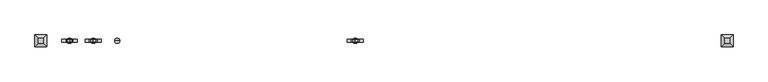
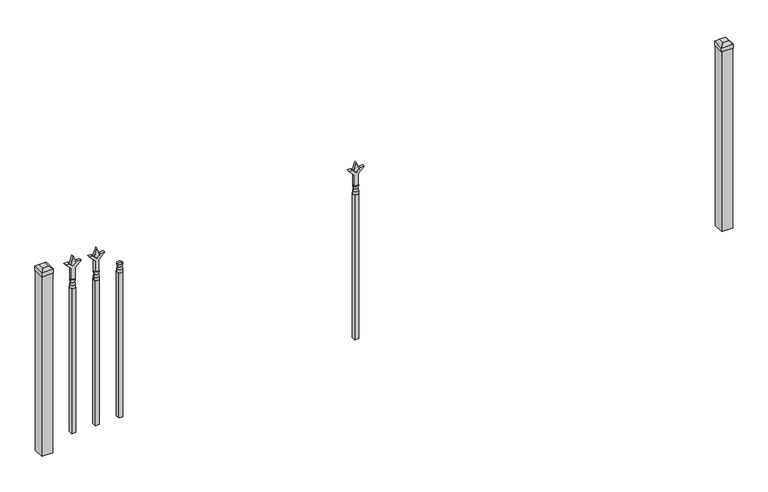
"""IFC4 building model written with IfcOpenShell, lengths in millimetres: railing geometry."""

from ifc_helpers import new_model, si_unit, frame, origin, place, context, project, spatial, polyline, circle_curve, outline, extrude, faceted_brep, source, transform, mapped, element, save
from ifc_brep_helpers import plane_surface, cylinder_surface, revolved_surface, advanced_brep


def railing_42ffcb22(model_context):
    return source(origin(), model_context, "Body", "SolidModel", [
        advanced_brep(
        [(-5160.59043, 7037.6199518, 12966.7), (-5184.40293, 7037.6199518, 12966.7), (-5184.40293, 7037.6199518, 12954.0), (-5160.59043, 7037.6199518, 12954.0), (-5162.7957619, 7037.6199518, 12979.2070585), (-5182.1975982, 7037.6199518, 12979.2070585), (-5160.59043, 7037.6199518, 12995.275), (-5184.40293, 7037.6199518, 12995.275), (-5172.49668, 7037.6199518, 12995.275), (-5172.49668, 7037.6199518, 12954.0)],
        [
            (0, 1, circle_curve(frame((-5172.49668, 7037.6199518, 12966.7), z_axis=(0.0, 0.0, -1.0), x_axis=(-1.0, 0.0, 0.0)), 11.90625)),
            (1, 2),
            (2, 3, circle_curve(frame((-5172.49668, 7037.6199518, 12954.0), z_axis=(0.0, 0.0, 1.0), x_axis=(-1.0, 0.0, 0.0)), 11.90625)),
            (3, 0),
            (1, 0, circle_curve(frame((-5172.49668, 7037.6199518, 12966.7), z_axis=(0.0, 0.0, -1.0), x_axis=(-1.0, 0.0, 0.0)), 11.90625)),
            (3, 2, circle_curve(frame((-5172.49668, 7037.6199518, 12954.0), z_axis=(0.0, 0.0, 1.0), x_axis=(-1.0, 0.0, 0.0)), 11.90625)),
            (4, 5, circle_curve(frame((-5172.49668, 7037.6199518, 12979.2070585), z_axis=(0.0, 0.0, -1.0), x_axis=(-1.0, 0.0, 0.0)), 9.7009181)),
            (5, 1),
            (0, 4),
            (5, 4, circle_curve(frame((-5172.49668, 7037.6199518, 12979.2070585), z_axis=(0.0, 0.0, -1.0), x_axis=(-1.0, 0.0, 0.0)), 9.7009181)),
            (6, 7, circle_curve(frame((-5172.49668, 7037.6199518, 12995.275), z_axis=(0.0, 0.0, -1.0), x_axis=(-1.0, 0.0, 0.0)), 11.90625)),
            (7, 5),
            (4, 6),
            (7, 6, circle_curve(frame((-5172.49668, 7037.6199518, 12995.275), z_axis=(0.0, 0.0, -1.0), x_axis=(-1.0, 0.0, 0.0)), 11.90625)),
            (8, 7),
            (6, 8),
            (2, 9),
            (9, 3),
        ],
        [
            cylinder_surface(frame((-5172.49668, 7037.6199518, 12954.0), z_axis=(0.0, 0.0, 1.0), x_axis=(-1.0, 0.0, 0.0)), 11.90625),
            revolved_surface(polyline([(-5184.40293, 7037.6199518, 12966.7), (-5182.1975982, 7037.6199518, 12979.2070585)]), (-5172.49668, 7037.6199518, 12954.0), (0.0, 0.0, 1.0)),
            revolved_surface(polyline([(-5182.1975982, 7037.6199518, 12979.2070585), (-5184.40293, 7037.6199518, 12995.275)]), (-5172.49668, 7037.6199518, 12954.0), (0.0, 0.0, 1.0)),
            plane_surface(frame((-5172.49668, 7037.6199518, 12995.275), z_axis=(0.0, 0.0, 1.0), x_axis=(-1.0, 0.0, 0.0))),
            plane_surface(frame((-5172.49668, 7037.6199518, 12954.0), z_axis=(0.0, 0.0, -1.0), x_axis=(-1.0, 0.0, 0.0))),
        ],
        [
            (0, [[1, 2, 3, 4]]),
            (0, [[5, -4, 6, -2]]),
            (1, [[7, 8, -1, 9]]),
            (1, [[10, -9, -5, -8]]),
            (2, [[11, 12, -7, 13]]),
            (2, [[14, -13, -10, -12]]),
            (3, [[15, -11, 16]]),
            (3, [[-16, -14, -15]]),
            (4, [[-3, 17, 18]]),
            (4, [[-6, -18, -17]]),
        ],
    ),
        extrude(outline(polyline([(-5182.02168, 7047.1449518), (-5162.97168, 7047.1449518), (-5162.97168, 7028.0949518), (-5182.02168, 7028.0949518), (-5182.02168, 7047.1449518)])), frame((0.0, 0.0, 12242.8), z_axis=(0.0, 0.0, 1.0), x_axis=(1.0, 0.0, 0.0)), (0.0, 0.0, 1.0), 711.2),
        extrude(outline(polyline([(13070.68125, -5269.8633467), (13106.4, -5281.7695967), (13070.68125, -5293.6758467), (13058.775, -5281.7695967), (13070.68125, -5269.8633467)])), frame((0.0, 7032.8574518, 0.0), z_axis=(0.0, 1.0, 0.0), x_axis=(0.0, 0.0, 1.0)), (0.0, 0.0, 1.0), 9.525),
        extrude(outline(polyline([(12995.275, -5273.0383467), (13049.5457378, -5273.0383467), (13076.7355122, -5245.8485722), (13076.7355122, -5263.8090845), (13058.775, -5281.7695967), (13076.7355122, -5299.730109), (13076.7355122, -5317.6906212), (13049.5457378, -5290.5008467), (12995.275, -5290.5008467), (12995.275, -5273.0383467)])), frame((0.0, 7031.2699518, 0.0), z_axis=(0.0, 1.0, 0.0), x_axis=(0.0, 0.0, 1.0)), (0.0, 0.0, 1.0), 12.7),
        advanced_brep(
        [(-5269.8633467, 7037.6199518, 12966.7), (-5293.6758467, 7037.6199518, 12966.7), (-5293.6758467, 7037.6199518, 12954.0), (-5269.8633467, 7037.6199518, 12954.0), (-5272.0686786, 7037.6199518, 12979.2070585), (-5291.4705149, 7037.6199518, 12979.2070585), (-5269.8633467, 7037.6199518, 12995.275), (-5293.6758467, 7037.6199518, 12995.275), (-5281.7695967, 7037.6199518, 12995.275), (-5281.7695967, 7037.6199518, 12954.0)],
        [
            (0, 1, circle_curve(frame((-5281.7695967, 7037.6199518, 12966.7), z_axis=(0.0, 0.0, -1.0), x_axis=(-1.0, 0.0, 0.0)), 11.90625)),
            (1, 2),
            (2, 3, circle_curve(frame((-5281.7695967, 7037.6199518, 12954.0), z_axis=(0.0, 0.0, 1.0), x_axis=(-1.0, 0.0, 0.0)), 11.90625)),
            (3, 0),
            (1, 0, circle_curve(frame((-5281.7695967, 7037.6199518, 12966.7), z_axis=(0.0, 0.0, -1.0), x_axis=(-1.0, 0.0, 0.0)), 11.90625)),
            (3, 2, circle_curve(frame((-5281.7695967, 7037.6199518, 12954.0), z_axis=(0.0, 0.0, 1.0), x_axis=(-1.0, 0.0, 0.0)), 11.90625)),
            (4, 5, circle_curve(frame((-5281.7695967, 7037.6199518, 12979.2070585), z_axis=(0.0, 0.0, -1.0), x_axis=(-1.0, 0.0, 0.0)), 9.7009181)),
            (5, 1),
            (0, 4),
            (5, 4, circle_curve(frame((-5281.7695967, 7037.6199518, 12979.2070585), z_axis=(0.0, 0.0, -1.0), x_axis=(-1.0, 0.0, 0.0)), 9.7009181)),
            (6, 7, circle_curve(frame((-5281.7695967, 7037.6199518, 12995.275), z_axis=(0.0, 0.0, -1.0), x_axis=(-1.0, 0.0, 0.0)), 11.90625)),
            (7, 5),
            (4, 6),
            (7, 6, circle_curve(frame((-5281.7695967, 7037.6199518, 12995.275), z_axis=(0.0, 0.0, -1.0), x_axis=(-1.0, 0.0, 0.0)), 11.90625)),
            (8, 7),
            (6, 8),
            (2, 9),
            (9, 3),
        ],
        [
            cylinder_surface(frame((-5281.7695967, 7037.6199518, 12954.0), z_axis=(0.0, 0.0, 1.0), x_axis=(-1.0, 0.0, 0.0)), 11.90625),
            revolved_surface(polyline([(-5293.6758467, 7037.6199518, 12966.7), (-5291.4705149, 7037.6199518, 12979.2070585)]), (-5281.7695967, 7037.6199518, 12954.0), (0.0, 0.0, 1.0)),
            revolved_surface(polyline([(-5291.4705149, 7037.6199518, 12979.2070585), (-5293.6758467, 7037.6199518, 12995.275)]), (-5281.7695967, 7037.6199518, 12954.0), (0.0, 0.0, 1.0)),
            plane_surface(frame((-5281.7695967, 7037.6199518, 12995.275), z_axis=(0.0, 0.0, 1.0), x_axis=(-1.0, 0.0, 0.0))),
            plane_surface(frame((-5281.7695967, 7037.6199518, 12954.0), z_axis=(0.0, 0.0, -1.0), x_axis=(-1.0, 0.0, 0.0))),
        ],
        [
            (0, [[1, 2, 3, 4]]),
            (0, [[5, -4, 6, -2]]),
            (1, [[7, 8, -1, 9]]),
            (1, [[10, -9, -5, -8]]),
            (2, [[11, 12, -7, 13]]),
            (2, [[14, -13, -10, -12]]),
            (3, [[15, -11, 16]]),
            (3, [[-16, -14, -15]]),
            (4, [[-3, 17, 18]]),
            (4, [[-6, -18, -17]]),
        ],
    ),
        extrude(outline(polyline([(-5291.2945967, 7047.1449518), (-5272.2445967, 7047.1449518), (-5272.2445967, 7028.0949518), (-5291.2945967, 7028.0949518), (-5291.2945967, 7047.1449518)])), frame((0.0, 0.0, 12242.8), z_axis=(0.0, 0.0, 1.0), x_axis=(1.0, 0.0, 0.0)), (0.0, 0.0, 1.0), 711.2),
        extrude(outline(polyline([(13070.68125, -4067.8612634), (13106.4, -4079.7675134), (13070.68125, -4091.6737634), (13058.775, -4079.7675134), (13070.68125, -4067.8612634)])), frame((0.0, 7032.8574518, 0.0), z_axis=(0.0, 1.0, 0.0), x_axis=(0.0, 0.0, 1.0)), (0.0, 0.0, 1.0), 9.525),
        extrude(outline(polyline([(12995.275, -4071.0362634), (13049.5457378, -4071.0362634), (13076.7355122, -4043.8464889), (13076.7355122, -4061.8070011), (13058.775, -4079.7675134), (13076.7355122, -4097.7280256), (13076.7355122, -4115.6885379), (13049.5457378, -4088.4987634), (12995.275, -4088.4987634), (12995.275, -4071.0362634)])), frame((0.0, 7031.2699518, 0.0), z_axis=(0.0, 1.0, 0.0), x_axis=(0.0, 0.0, 1.0)), (0.0, 0.0, 1.0), 12.7),
        advanced_brep(
        [(-4067.8612634, 7037.6199518, 12966.7), (-4091.6737634, 7037.6199518, 12966.7), (-4091.6737634, 7037.6199518, 12954.0), (-4067.8612634, 7037.6199518, 12954.0), (-4070.0665952, 7037.6199518, 12979.2070585), (-4089.4684315, 7037.6199518, 12979.2070585), (-4067.8612634, 7037.6199518, 12995.275), (-4091.6737634, 7037.6199518, 12995.275), (-4079.7675134, 7037.6199518, 12995.275), (-4079.7675134, 7037.6199518, 12954.0)],
        [
            (0, 1, circle_curve(frame((-4079.7675134, 7037.6199518, 12966.7), z_axis=(0.0, 0.0, -1.0), x_axis=(-1.0, 0.0, 0.0)), 11.90625)),
            (1, 2),
            (2, 3, circle_curve(frame((-4079.7675134, 7037.6199518, 12954.0), z_axis=(0.0, 0.0, 1.0), x_axis=(-1.0, 0.0, 0.0)), 11.90625)),
            (3, 0),
            (1, 0, circle_curve(frame((-4079.7675134, 7037.6199518, 12966.7), z_axis=(0.0, 0.0, -1.0), x_axis=(-1.0, 0.0, 0.0)), 11.90625)),
            (3, 2, circle_curve(frame((-4079.7675134, 7037.6199518, 12954.0), z_axis=(0.0, 0.0, 1.0), x_axis=(-1.0, 0.0, 0.0)), 11.90625)),
            (4, 5, circle_curve(frame((-4079.7675134, 7037.6199518, 12979.2070585), z_axis=(0.0, 0.0, -1.0), x_axis=(-1.0, 0.0, 0.0)), 9.7009181)),
            (5, 1),
            (0, 4),
            (5, 4, circle_curve(frame((-4079.7675134, 7037.6199518, 12979.2070585), z_axis=(0.0, 0.0, -1.0), x_axis=(-1.0, 0.0, 0.0)), 9.7009181)),
            (6, 7, circle_curve(frame((-4079.7675134, 7037.6199518, 12995.275), z_axis=(0.0, 0.0, -1.0), x_axis=(-1.0, 0.0, 0.0)), 11.90625)),
            (7, 5),
            (4, 6),
            (7, 6, circle_curve(frame((-4079.7675134, 7037.6199518, 12995.275), z_axis=(0.0, 0.0, -1.0), x_axis=(-1.0, 0.0, 0.0)), 11.90625)),
            (8, 7),
            (6, 8),
            (2, 9),
            (9, 3),
        ],
        [
            cylinder_surface(frame((-4079.7675134, 7037.6199518, 12954.0), z_axis=(0.0, 0.0, 1.0), x_axis=(-1.0, 0.0, 0.0)), 11.90625),
            revolved_surface(polyline([(-4091.6737634, 7037.6199518, 12966.7), (-4089.4684315, 7037.6199518, 12979.2070585)]), (-4079.7675134, 7037.6199518, 12954.0), (0.0, 0.0, 1.0)),
            revolved_surface(polyline([(-4089.4684315, 7037.6199518, 12979.2070585), (-4091.6737634, 7037.6199518, 12995.275)]), (-4079.7675134, 7037.6199518, 12954.0), (0.0, 0.0, 1.0)),
            plane_surface(frame((-4079.7675134, 7037.6199518, 12995.275), z_axis=(0.0, 0.0, 1.0), x_axis=(-1.0, 0.0, 0.0))),
            plane_surface(frame((-4079.7675134, 7037.6199518, 12954.0), z_axis=(0.0, 0.0, -1.0), x_axis=(-1.0, 0.0, 0.0))),
        ],
        [
            (0, [[1, 2, 3, 4]]),
            (0, [[5, -4, 6, -2]]),
            (1, [[7, 8, -1, 9]]),
            (1, [[10, -9, -5, -8]]),
            (2, [[11, 12, -7, 13]]),
            (2, [[14, -13, -10, -12]]),
            (3, [[15, -11, 16]]),
            (3, [[-16, -14, -15]]),
            (4, [[-3, 17, 18]]),
            (4, [[-6, -18, -17]]),
        ],
    ),
        extrude(outline(polyline([(-4089.2925134, 7047.1449518), (-4070.2425134, 7047.1449518), (-4070.2425134, 7028.0949518), (-4089.2925134, 7028.0949518), (-4089.2925134, 7047.1449518)])), frame((0.0, 0.0, 12242.8), z_axis=(0.0, 0.0, 1.0), x_axis=(1.0, 0.0, 0.0)), (0.0, 0.0, 1.0), 711.2),
        extrude(outline(polyline([(13070.68125, -5379.1362634), (13106.4, -5391.0425134), (13070.68125, -5402.9487634), (13058.775, -5391.0425134), (13070.68125, -5379.1362634)])), frame((0.0, 7032.8574518, 0.0), z_axis=(0.0, 1.0, 0.0), x_axis=(0.0, 0.0, 1.0)), (0.0, 0.0, 1.0), 9.525),
        extrude(outline(polyline([(12995.275, -5382.3112634), (13049.5457378, -5382.3112634), (13076.7355122, -5355.1214889), (13076.7355122, -5373.0820011), (13058.775, -5391.0425134), (13076.7355122, -5409.0030256), (13076.7355122, -5426.9635379), (13049.5457378, -5399.7737634), (12995.275, -5399.7737634), (12995.275, -5382.3112634)])), frame((0.0, 7031.2699518, 0.0), z_axis=(0.0, 1.0, 0.0), x_axis=(0.0, 0.0, 1.0)), (0.0, 0.0, 1.0), 12.7),
        advanced_brep(
        [(-5379.1362634, 7037.6199518, 12966.7), (-5402.9487634, 7037.6199518, 12966.7), (-5402.9487634, 7037.6199518, 12954.0), (-5379.1362634, 7037.6199518, 12954.0), (-5381.3415952, 7037.6199518, 12979.2070585), (-5400.7434315, 7037.6199518, 12979.2070585), (-5379.1362634, 7037.6199518, 12995.275), (-5402.9487634, 7037.6199518, 12995.275), (-5391.0425134, 7037.6199518, 12995.275), (-5391.0425134, 7037.6199518, 12954.0)],
        [
            (0, 1, circle_curve(frame((-5391.0425134, 7037.6199518, 12966.7), z_axis=(0.0, 0.0, -1.0), x_axis=(-1.0, 0.0, 0.0)), 11.90625)),
            (1, 2),
            (2, 3, circle_curve(frame((-5391.0425134, 7037.6199518, 12954.0), z_axis=(0.0, 0.0, 1.0), x_axis=(-1.0, 0.0, 0.0)), 11.90625)),
            (3, 0),
            (1, 0, circle_curve(frame((-5391.0425134, 7037.6199518, 12966.7), z_axis=(0.0, 0.0, -1.0), x_axis=(-1.0, 0.0, 0.0)), 11.90625)),
            (3, 2, circle_curve(frame((-5391.0425134, 7037.6199518, 12954.0), z_axis=(0.0, 0.0, 1.0), x_axis=(-1.0, 0.0, 0.0)), 11.90625)),
            (4, 5, circle_curve(frame((-5391.0425134, 7037.6199518, 12979.2070585), z_axis=(0.0, 0.0, -1.0), x_axis=(-1.0, 0.0, 0.0)), 9.7009181)),
            (5, 1),
            (0, 4),
            (5, 4, circle_curve(frame((-5391.0425134, 7037.6199518, 12979.2070585), z_axis=(0.0, 0.0, -1.0), x_axis=(-1.0, 0.0, 0.0)), 9.7009181)),
            (6, 7, circle_curve(frame((-5391.0425134, 7037.6199518, 12995.275), z_axis=(0.0, 0.0, -1.0), x_axis=(-1.0, 0.0, 0.0)), 11.90625)),
            (7, 5),
            (4, 6),
            (7, 6, circle_curve(frame((-5391.0425134, 7037.6199518, 12995.275), z_axis=(0.0, 0.0, -1.0), x_axis=(-1.0, 0.0, 0.0)), 11.90625)),
            (8, 7),
            (6, 8),
            (2, 9),
            (9, 3),
        ],
        [
            cylinder_surface(frame((-5391.0425134, 7037.6199518, 12954.0), z_axis=(0.0, 0.0, 1.0), x_axis=(-1.0, 0.0, 0.0)), 11.90625),
            revolved_surface(polyline([(-5402.9487634, 7037.6199518, 12966.7), (-5400.7434315, 7037.6199518, 12979.2070585)]), (-5391.0425134, 7037.6199518, 12954.0), (0.0, 0.0, 1.0)),
            revolved_surface(polyline([(-5400.7434315, 7037.6199518, 12979.2070585), (-5402.9487634, 7037.6199518, 12995.275)]), (-5391.0425134, 7037.6199518, 12954.0), (0.0, 0.0, 1.0)),
            plane_surface(frame((-5391.0425134, 7037.6199518, 12995.275), z_axis=(0.0, 0.0, 1.0), x_axis=(-1.0, 0.0, 0.0))),
            plane_surface(frame((-5391.0425134, 7037.6199518, 12954.0), z_axis=(0.0, 0.0, -1.0), x_axis=(-1.0, 0.0, 0.0))),
        ],
        [
            (0, [[1, 2, 3, 4]]),
            (0, [[5, -4, 6, -2]]),
            (1, [[7, 8, -1, 9]]),
            (1, [[10, -9, -5, -8]]),
            (2, [[11, 12, -7, 13]]),
            (2, [[14, -13, -10, -12]]),
            (3, [[15, -11, 16]]),
            (3, [[-16, -14, -15]]),
            (4, [[-3, 17, 18]]),
            (4, [[-6, -18, -17]]),
        ],
    ),
        extrude(outline(polyline([(-5400.5675134, 7047.1449518), (-5381.5175134, 7047.1449518), (-5381.5175134, 7028.0949518), (-5400.5675134, 7028.0949518), (-5400.5675134, 7047.1449518)])), frame((0.0, 0.0, 12242.8), z_axis=(0.0, 0.0, 1.0), x_axis=(1.0, 0.0, 0.0)), (0.0, 0.0, 1.0), 711.2),
        faceted_brep([(-2400.1925134, 7064.6074518, 13093.7), (-2400.1925134, 7064.6074518, 13074.65), (-2400.1925134, 7010.6324518, 13074.65), (-2400.1925134, 7010.6324518, 13093.7), (-2387.4925134, 7051.9074518, 13106.4), (-2387.4925134, 7023.3324518, 13106.4), (-2346.2175134, 7010.6324518, 13074.65), (-2346.2175134, 7010.6324518, 13093.7), (-2358.9175134, 7023.3324518, 13106.4), (-2346.2175134, 7064.6074518, 13074.65), (-2346.2175134, 7064.6074518, 13093.7), (-2358.9175134, 7051.9074518, 13106.4)], [[[0, 1, 2, 3]], [[4, 0, 3, 5]], [[3, 2, 6, 7]], [[5, 3, 7, 8]], [[7, 6, 9, 10]], [[8, 7, 10, 11]], [[10, 9, 1, 0]], [[11, 10, 0, 4]], [[5, 8, 11, 4]], [[1, 9, 6, 2]]]),
        extrude(outline(polyline([(-2347.8050134, 7063.0199518), (-2347.8050134, 7012.2199518), (-2398.6050134, 7012.2199518), (-2398.6050134, 7063.0199518), (-2347.8050134, 7063.0199518)])), frame((0.0, 0.0, 12192.0), z_axis=(0.0, 0.0, 1.0), x_axis=(1.0, 0.0, 0.0)), (0.0, 0.0, 1.0), 882.65),
        faceted_brep([(-5549.7925134, 7064.6074518, 13093.7), (-5549.7925134, 7064.6074518, 13074.65), (-5549.7925134, 7010.6324518, 13074.65), (-5549.7925134, 7010.6324518, 13093.7), (-5537.0925134, 7051.9074518, 13106.4), (-5537.0925134, 7023.3324518, 13106.4), (-5495.8175134, 7010.6324518, 13074.65), (-5495.8175134, 7010.6324518, 13093.7), (-5508.5175134, 7023.3324518, 13106.4), (-5495.8175134, 7064.6074518, 13074.65), (-5495.8175134, 7064.6074518, 13093.7), (-5508.5175134, 7051.9074518, 13106.4)], [[[0, 1, 2, 3]], [[4, 0, 3, 5]], [[3, 2, 6, 7]], [[5, 3, 7, 8]], [[7, 6, 9, 10]], [[8, 7, 10, 11]], [[10, 9, 1, 0]], [[11, 10, 0, 4]], [[5, 8, 11, 4]], [[1, 9, 6, 2]]]),
        extrude(outline(polyline([(-5497.4050134, 7063.0199518), (-5497.4050134, 7012.2199518), (-5548.2050134, 7012.2199518), (-5548.2050134, 7063.0199518), (-5497.4050134, 7063.0199518)])), frame((0.0, 0.0, 12192.0), z_axis=(0.0, 0.0, 1.0), x_axis=(1.0, 0.0, 0.0)), (0.0, 0.0, 1.0), 882.65),
    ])


if __name__ == "__main__":
    model = new_model("IFC4")
    model_context = context("Model", 3, world=origin())
    ifc_project = project(units=[si_unit("LENGTHUNIT", "METRE", prefix="MILLI")], contexts=[model_context])
    site = spatial("IfcSite", under=ifc_project)
    building = spatial("IfcBuilding", under=site)
    placement = place(None, origin())
    railing_shape = railing_42ffcb22(model_context)
    element("IfcRailing", 1, at=placement, inside=building, context=model_context, shape_type="MappedRepresentation", body=[
        mapped(railing_shape, transform((0.0, 0.0, 0.0), x_axis=(1.0, 0.0, 0.0), y_axis=(0.0, 1.0, 0.0), z_axis=(0.0, 0.0, 1.0))),
    ])
    save(model, "model.ifc")
